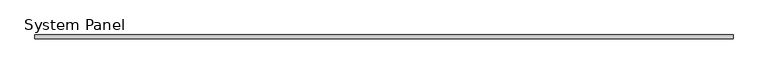
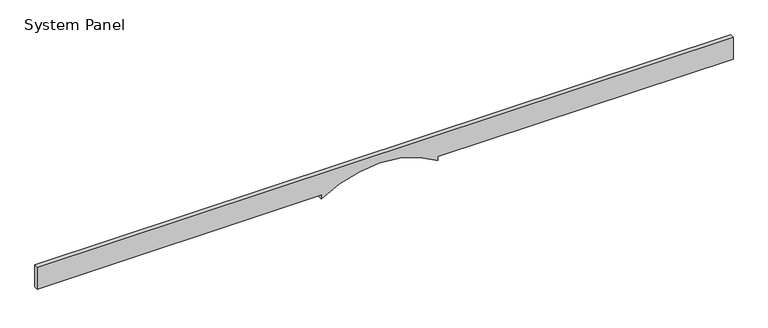
"""IFC4 building model written with IfcOpenShell, lengths in millimetres: plate geometry, System Panel."""

from ifc_helpers import new_model, si_unit, point, frame, frame_2d, origin, place, context, project, spatial, polyline, circle_curve, trimmed, segment, composite_curve, outline, extrude, source, transform, mapped, element, save


def system_panel_258b6a22(model_context):
    return source(origin(), model_context, "Body", "SweptSolid", [
        extrude(outline(composite_curve([segment(trimmed(circle_curve(frame_2d((-575.0, -36.4365219)), 687.5502169), [point((0.0, -413.3984574))], [point((0.0, 340.5254136))], True, "CARTESIAN"), True, "CONTINUOUS"), segment(polyline([(0.0, 340.5254136), (25.0, 340.5254136), (25.0, 2250.0), (175.0, 2250.0), (175.0, -2250.0), (25.0, -2250.0), (25.0, -413.3984574), (0.0, -413.3984574)]), True, "CONTINUOUS")], self_intersect=False)), frame((0.0, 24.5, 0.0), z_axis=(0.0, 1.0, 0.0), x_axis=(0.0, 0.0, 1.0)), (0.0, 0.0, 1.0), 25.0),
    ])


if __name__ == "__main__":
    model = new_model("IFC4")
    model_context = context("Model", 3, world=origin())
    ifc_project = project(units=[si_unit("LENGTHUNIT", "METRE", prefix="MILLI")], contexts=[model_context])
    site = spatial("IfcSite", under=ifc_project)
    building = spatial("IfcBuilding", under=site)
    placement = place(None, origin())
    system_panel_shape = system_panel_258b6a22(model_context)
    element("IfcPlate", 1, ObjectType="System Panel", at=placement, inside=building, context=model_context, shape_type="MappedRepresentation", body=[
        mapped(system_panel_shape, transform((0.0, 0.0, 0.0), x_axis=(1.0, 0.0, 0.0), y_axis=(0.0, 1.0, 0.0), z_axis=(0.0, 0.0, 1.0))),
    ])
    save(model, "model.ifc")
